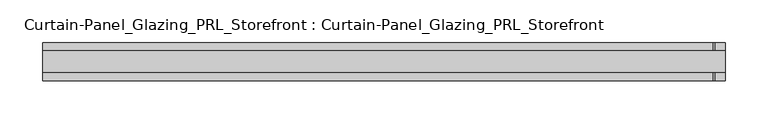
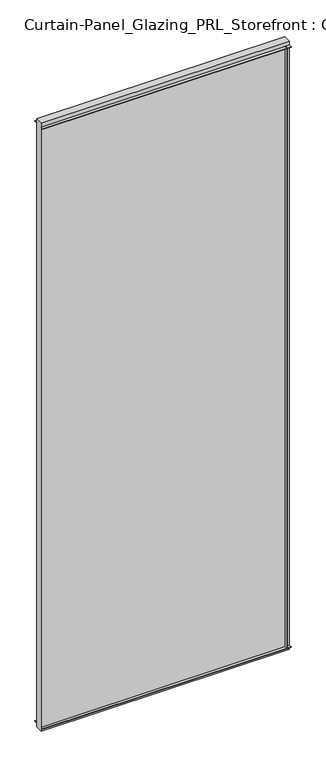
"""IFC4 building model written with IfcOpenShell, lengths in millimetres: plate geometry, Curtain-Panel_Glazing_PRL_Storefront : Curtain-Panel_Glazing_PRL_Storefront."""

from ifc_helpers import new_model, si_unit, frame, origin, origin_with_axes, place, context, project, spatial, polyline, outline, extrude, source, transform, mapped, element, save


def curtain_panel_glazing_prl_storefront_curtain_panel_glazing_c308fc26(model_context):
    return source(origin(), model_context, "Body", "SweptSolid", [
        extrude(outline(polyline([(387.35, 22.225), (387.35, 12.7), (385.7625, 12.7), (385.7625, 22.225), (387.35, 22.225)])), frame((0.0, 0.0, 12.7), z_axis=(0.0, 0.0, 1.0), x_axis=(1.0, 0.0, 0.0)), (0.0, 0.0, 1.0), 2047.08125),
        extrude(outline(polyline([(387.35, -22.225), (385.7625, -22.225), (385.7625, -12.7), (387.35, -12.7), (387.35, -22.225)])), frame((0.0, 0.0, 12.7), z_axis=(0.0, 0.0, 1.0), x_axis=(1.0, 0.0, 0.0)), (0.0, 0.0, 1.0), 2047.08125),
        extrude(outline(polyline([(400.05, -12.7), (-400.05, -12.7), (-400.05, 12.7), (400.05, 12.7), (400.05, -12.7)])), origin_with_axes(), (0.0, 0.0, 1.0), 2072.48125),
        extrude(outline(polyline([(-400.05, 22.225), (400.05, 22.225), (400.05, 12.7), (-400.05, 12.7), (-400.05, 22.225)])), frame((0.0, 0.0, 2058.19375), z_axis=(0.0, 0.0, 1.0), x_axis=(1.0, 0.0, 0.0)), (0.0, 0.0, 1.0), 1.5875),
        extrude(outline(polyline([(-400.05, -22.225), (-400.05, -12.7), (400.05, -12.7), (400.05, -22.225), (-400.05, -22.225)])), frame((0.0, 0.0, 2058.19375), z_axis=(0.0, 0.0, 1.0), x_axis=(1.0, 0.0, 0.0)), (0.0, 0.0, 1.0), 1.5875),
        extrude(outline(polyline([(-400.05, 22.225), (400.05, 22.225), (400.05, 12.7), (-400.05, 12.7), (-400.05, 22.225)])), frame((0.0, 0.0, 12.7), z_axis=(0.0, 0.0, 1.0), x_axis=(1.0, 0.0, 0.0)), (0.0, 0.0, 1.0), 1.5875),
        extrude(outline(polyline([(-400.05, -22.225), (-400.05, -12.7), (400.05, -12.7), (400.05, -22.225), (-400.05, -22.225)])), frame((0.0, 0.0, 12.7), z_axis=(0.0, 0.0, 1.0), x_axis=(1.0, 0.0, 0.0)), (0.0, 0.0, 1.0), 1.5875),
    ])


if __name__ == "__main__":
    model = new_model("IFC4")
    model_context = context("Model", 3, world=origin())
    ifc_project = project(units=[si_unit("LENGTHUNIT", "METRE", prefix="MILLI")], contexts=[model_context])
    site = spatial("IfcSite", under=ifc_project)
    building = spatial("IfcBuilding", under=site)
    placement = place(None, origin())
    curtain_panel_glazing_prl_storefront_curtain_panel_glazing_shape = curtain_panel_glazing_prl_storefront_curtain_panel_glazing_c308fc26(model_context)
    element("IfcPlate", 1, ObjectType="Curtain-Panel_Glazing_PRL_Storefront : Curtain-Panel_Glazing_PRL_Storefront", at=placement, inside=building, context=model_context, shape_type="MappedRepresentation", body=[
        mapped(curtain_panel_glazing_prl_storefront_curtain_panel_glazing_shape, transform((0.0, 0.0, 0.0), x_axis=(1.0, 0.0, 0.0), y_axis=(0.0, 1.0, 0.0), z_axis=(0.0, 0.0, 1.0))),
    ])
    save(model, "model.ifc")
